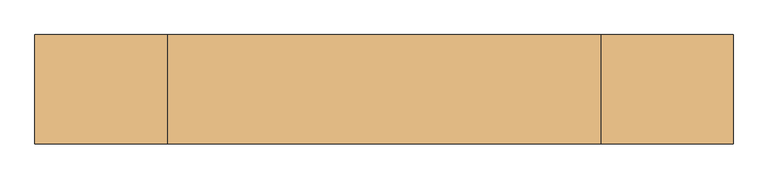
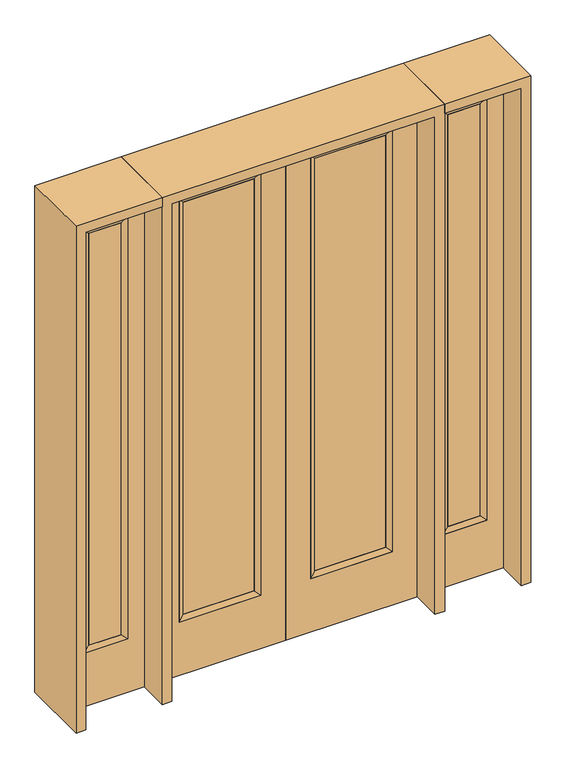
"""IFC4 building model written with IfcOpenShell, lengths in millimetres: door geometry."""

from ifc_helpers import new_model, si_unit, frame, origin, place, context, project, spatial, polyline, outline, extrude, faceted_brep, source, transform, mapped, element, save


def door_4d5d69bf(model_context):
    return source(origin(), model_context, "Body", "SolidModel", [
        extrude(outline(polyline([(140.8176, -12.7039749), (140.8176, 14.2875), (468.7824, 14.2875), (468.7824, -12.7039749), (140.8176, -12.7039749)])), frame((0.0, 0.0, 285.75), z_axis=(0.0, 0.0, 1.0), x_axis=(1.0, 0.0, 0.0)), (0.0, 0.0, 1.0), 2019.3),
        faceted_brep([(140.8176, 14.2875, 2305.05), (140.8176, 14.2875, 285.75), (115.4176, 22.225, 260.35), (115.4176, 22.225, 2330.45), (115.4176, -22.225, 260.35), (115.4176, -22.225, 2330.45), (468.7824, 14.2875, 285.75), (494.1824, 22.225, 260.35), (140.8176, -12.7039749, 2305.05), (140.8176, -12.7039749, 285.75), (468.7824, -12.7039749, 285.75), (494.1824, -22.225, 260.35), (468.7824, 14.2875, 2305.05), (494.1824, 22.225, 2330.45), (468.7824, -12.7039749, 2305.05), (494.1824, -22.225, 2330.45)], [[[0, 1, 2, 3]], [[3, 2, 4, 5]], [[1, 6, 7, 2]], [[8, 9, 1, 0]], [[9, 10, 6, 1]], [[5, 4, 9, 8]], [[4, 11, 10, 9]], [[2, 7, 11, 4]], [[6, 12, 13, 7]], [[10, 14, 12, 6]], [[11, 15, 14, 10]], [[7, 13, 15, 11]], [[12, 0, 3, 13]], [[14, 8, 0, 12]], [[15, 5, 8, 14]], [[13, 3, 5, 15]]]),
        extrude(outline(polyline([(0.0, 609.6), (2438.4, 609.6), (2438.4, 0.0), (0.0, 0.0), (0.0, 609.6)]), holes=[polyline([(260.35, 494.1824), (260.35, 115.4176), (2330.45, 115.4176), (2330.45, 494.1824), (260.35, 494.1824)])]), frame((0.0, -22.225, 0.0), z_axis=(0.0, 1.0, 0.0), x_axis=(0.0, 0.0, 1.0)), (0.0, 0.0, 1.0), 44.45),
        extrude(outline(polyline([(-140.8176, -12.7039749), (-468.7824, -12.7039749), (-468.7824, 14.2875), (-140.8176, 14.2875), (-140.8176, -12.7039749)])), frame((0.0, 0.0, 285.75), z_axis=(0.0, 0.0, 1.0), x_axis=(1.0, 0.0, 0.0)), (0.0, 0.0, 1.0), 2019.3),
        faceted_brep([(-140.8176, 14.2875, 2305.05), (-115.4176, 22.225, 2330.45), (-115.4176, 22.225, 260.35), (-140.8176, 14.2875, 285.75), (-115.4176, -22.225, 2330.45), (-115.4176, -22.225, 260.35), (-494.1824, 22.225, 260.35), (-468.7824, 14.2875, 285.75), (-140.8176, -12.7039749, 2305.05), (-140.8176, -12.7039749, 285.75), (-468.7824, -12.7039749, 285.75), (-494.1824, -22.225, 260.35), (-494.1824, 22.225, 2330.45), (-468.7824, 14.2875, 2305.05), (-468.7824, -12.7039749, 2305.05), (-494.1824, -22.225, 2330.45)], [[[0, 1, 2, 3]], [[1, 4, 5, 2]], [[3, 2, 6, 7]], [[8, 0, 3, 9]], [[9, 3, 7, 10]], [[4, 8, 9, 5]], [[5, 9, 10, 11]], [[2, 5, 11, 6]], [[7, 6, 12, 13]], [[10, 7, 13, 14]], [[11, 10, 14, 15]], [[6, 11, 15, 12]], [[13, 12, 1, 0]], [[14, 13, 0, 8]], [[15, 14, 8, 4]], [[12, 15, 4, 1]]]),
        extrude(outline(polyline([(0.0, -609.6), (0.0, 0.0), (2438.4, 0.0), (2438.4, -609.6), (0.0, -609.6)]), holes=[polyline([(260.35, -494.1824), (2330.45, -494.1824), (2330.45, -115.4176), (260.35, -115.4176), (260.35, -494.1824)])]), frame((0.0, -22.225, 0.0), z_axis=(0.0, 1.0, 0.0), x_axis=(0.0, 0.0, 1.0)), (0.0, 0.0, 1.0), 44.45),
        faceted_brep([(730.25, 20.6375, 2330.45), (730.25, 20.6375, 260.35), (730.25, -20.6375, 260.35), (730.25, -20.6375, 2330.45), (755.65, -12.7, 285.75), (755.65, -12.7, 2305.05), (933.45, 20.6375, 260.35), (933.45, -20.6375, 260.35), (755.65, 12.7, 2305.05), (755.65, 12.7, 285.75), (908.05, 12.7, 285.75), (908.05, -12.7, 285.75), (933.45, 20.6375, 2330.45), (933.45, -20.6375, 2330.45), (908.05, 12.7, 2305.05), (908.05, -12.7, 2305.05)], [[[0, 1, 2, 3]], [[3, 2, 4, 5]], [[1, 6, 7, 2]], [[8, 9, 1, 0]], [[9, 10, 6, 1]], [[5, 4, 9, 8]], [[4, 11, 10, 9]], [[2, 7, 11, 4]], [[6, 12, 13, 7]], [[10, 14, 12, 6]], [[11, 15, 14, 10]], [[7, 13, 15, 11]], [[12, 0, 3, 13]], [[14, 8, 0, 12]], [[15, 5, 8, 14]], [[13, 3, 5, 15]]]),
        extrude(outline(polyline([(0.0, 1009.65), (2438.4, 1009.65), (2438.4, 654.05), (0.0, 654.05), (0.0, 1009.65)]), holes=[polyline([(2330.45, 730.25), (2330.45, 933.45), (260.35, 933.45), (260.35, 730.25), (2330.45, 730.25)])]), frame((0.0, -20.6375, 0.0), z_axis=(0.0, 1.0, 0.0), x_axis=(0.0, 0.0, 1.0)), (0.0, 0.0, 1.0), 41.275),
        extrude(outline(polyline([(755.65, -12.7), (755.65, 12.7), (908.05, 12.7), (908.05, -12.7), (755.65, -12.7)])), frame((0.0, 0.0, 285.75), z_axis=(0.0, 0.0, 1.0), x_axis=(1.0, 0.0, 0.0)), (0.0, 0.0, 1.0), 2019.3),
        faceted_brep([(-730.25, 20.6375, 2330.45), (-730.25, -20.6375, 2330.45), (-730.25, -20.6375, 260.35), (-730.25, 20.6375, 260.35), (-755.65, -12.7, 2305.05), (-755.65, -12.7, 285.75), (-933.45, -20.6375, 260.35), (-933.45, 20.6375, 260.35), (-755.65, 12.7, 2305.05), (-755.65, 12.7, 285.75), (-908.05, 12.7, 285.75), (-908.05, -12.7, 285.75), (-933.45, -20.6375, 2330.45), (-933.45, 20.6375, 2330.45), (-908.05, 12.7, 2305.05), (-908.05, -12.7, 2305.05)], [[[0, 1, 2, 3]], [[1, 4, 5, 2]], [[3, 2, 6, 7]], [[8, 0, 3, 9]], [[9, 3, 7, 10]], [[4, 8, 9, 5]], [[5, 9, 10, 11]], [[2, 5, 11, 6]], [[7, 6, 12, 13]], [[10, 7, 13, 14]], [[11, 10, 14, 15]], [[6, 11, 15, 12]], [[13, 12, 1, 0]], [[14, 13, 0, 8]], [[15, 14, 8, 4]], [[12, 15, 4, 1]]]),
        extrude(outline(polyline([(0.0, -1009.65), (0.0, -654.05), (2438.4, -654.05), (2438.4, -1009.65), (0.0, -1009.65)]), holes=[polyline([(2330.45, -730.25), (260.35, -730.25), (260.35, -933.45), (2330.45, -933.45), (2330.45, -730.25)])]), frame((0.0, -20.6375, 0.0), z_axis=(0.0, 1.0, 0.0), x_axis=(0.0, 0.0, 1.0)), (0.0, 0.0, 1.0), 41.275),
        extrude(outline(polyline([(-755.65, -12.7), (-908.05, -12.7), (-908.05, 12.7), (-755.65, 12.7), (-755.65, -12.7)])), frame((0.0, 0.0, 285.75), z_axis=(0.0, 0.0, 1.0), x_axis=(1.0, 0.0, 0.0)), (0.0, 0.0, 1.0), 2019.3),
        extrude(outline(polyline([(2438.4, -654.05), (2482.85, -654.05), (2482.85, -1054.1), (0.0, -1054.1), (0.0, -1009.65), (2438.4, -1009.65), (2438.4, -654.05)])), frame((0.0, -165.1, 0.0), z_axis=(0.0, 1.0, 0.0), x_axis=(0.0, 0.0, 1.0)), (0.0, 0.0, 1.0), 330.2),
        extrude(outline(polyline([(2482.85, -654.05), (0.0, -654.05), (0.0, -609.6), (2438.4, -609.6), (2438.4, 609.6), (0.0, 609.6), (0.0, 654.05), (2482.85, 654.05), (2482.85, -654.05)])), frame((0.0, -165.1, 0.0), z_axis=(0.0, 1.0, 0.0), x_axis=(0.0, 0.0, 1.0)), (0.0, 0.0, 1.0), 330.2),
        extrude(outline(polyline([(0.0, 1009.65), (0.0, 1054.1), (2482.85, 1054.1), (2482.85, 654.05), (2438.4, 654.05), (2438.4, 1009.65), (0.0, 1009.65)])), frame((0.0, -165.1, 0.0), z_axis=(0.0, 1.0, 0.0), x_axis=(0.0, 0.0, 1.0)), (0.0, 0.0, 1.0), 330.2),
    ])


if __name__ == "__main__":
    model = new_model("IFC4")
    model_context = context("Model", 3, world=origin())
    ifc_project = project(units=[si_unit("LENGTHUNIT", "METRE", prefix="MILLI")], contexts=[model_context])
    site = spatial("IfcSite", under=ifc_project)
    building = spatial("IfcBuilding", under=site)
    placement = place(None, origin())
    door_shape = door_4d5d69bf(model_context)
    element("IfcDoor", 1, at=placement, inside=building, context=model_context, shape_type="MappedRepresentation", body=[
        mapped(door_shape, transform((0.0, 0.0, 0.0), x_axis=(1.0, 0.0, 0.0), y_axis=(0.0, 1.0, 0.0), z_axis=(0.0, 0.0, 1.0))),
    ])
    save(model, "model.ifc")
